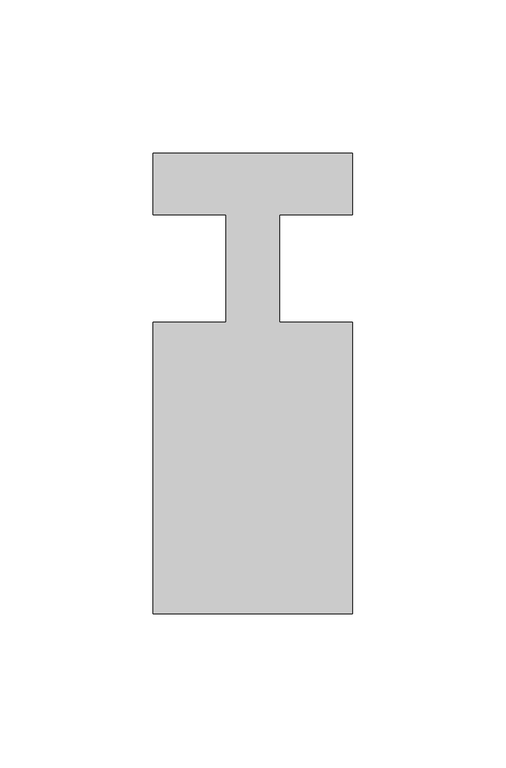
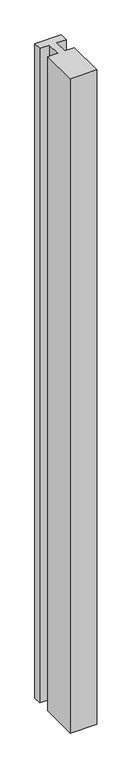
"""IFC4 building model written with IfcOpenShell, lengths in millimetres: member geometry."""

from ifc_helpers import new_model, si_unit, frame, origin, place, context, project, spatial, polyline, outline, extrude, source, transform, mapped, element, save


def member_d6b4cc7f(model_context):
    return source(origin(), model_context, "Body", "SweptSolid", [
        extrude(outline(polyline([(-32.5, 37.0), (32.5, 37.0), (32.5, 17.0), (8.6875, 17.0), (8.6875, -18.0), (32.5, -18.0), (32.5, -113.0), (-32.5, -113.0), (-32.5, -18.0), (-8.6875, -18.0), (-8.6875, 17.0), (-32.5, 17.0), (-32.5, 37.0)])), frame((0.0, 0.0, -1700.0), z_axis=(0.0, 0.0, 1.0), x_axis=(1.0, 0.0, 0.0)), (0.0, 0.0, 1.0), 1700.0),
    ])


if __name__ == "__main__":
    model = new_model("IFC4")
    model_context = context("Model", 3, world=origin())
    ifc_project = project(units=[si_unit("LENGTHUNIT", "METRE", prefix="MILLI")], contexts=[model_context])
    site = spatial("IfcSite", under=ifc_project)
    building = spatial("IfcBuilding", under=site)
    placement = place(None, origin())
    member_shape = member_d6b4cc7f(model_context)
    element("IfcMember", 1, at=placement, inside=building, context=model_context, shape_type="MappedRepresentation", body=[
        mapped(member_shape, transform((0.0, 0.0, 0.0), x_axis=(1.0, 0.0, 0.0), y_axis=(0.0, 1.0, 0.0), z_axis=(0.0, 0.0, 1.0))),
    ])
    save(model, "model.ifc")
